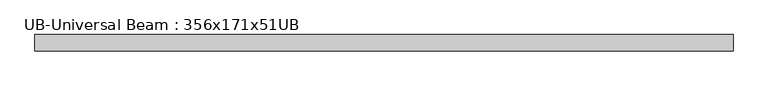
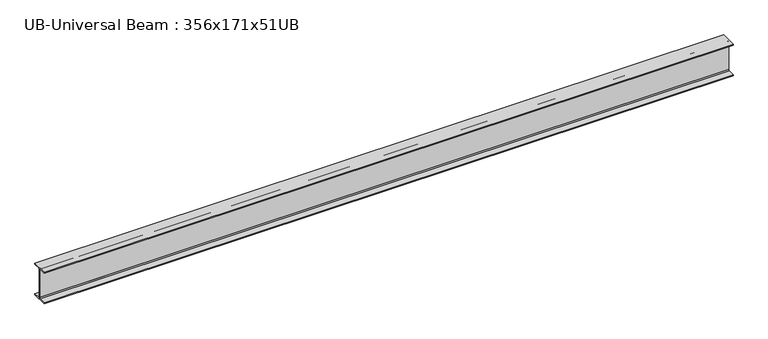
"""IFC4 building model written with IfcOpenShell, lengths in millimetres: beam geometry, UB-Universal Beam : 356x171x51UB."""

from ifc_helpers import new_model, si_unit, point, frame, frame_2d, origin, place, context, project, spatial, polyline, circle_curve, trimmed, segment, composite_curve, outline, extrude, source, transform, mapped, element, save


def ub_universal_beam_356x171x51ub_6fd0b625(model_context):
    return source(origin(), model_context, "Body", "SweptSolid", [
        extrude(outline(composite_curve([segment(polyline([(85.75, -166.0), (85.75, -177.5), (-85.75, -177.5), (-85.75, -166.0), (-13.9, -166.0)]), True, "CONTINUOUS"), segment(trimmed(circle_curve(frame_2d((-13.9, -155.8)), 10.2), [point((-13.9, -166.0))], [point((-3.7, -155.8))], True, "CARTESIAN"), True, "CONTINUOUS"), segment(polyline([(-3.7, -155.8), (-3.7, 155.8)]), True, "CONTINUOUS"), segment(trimmed(circle_curve(frame_2d((-13.9, 155.8)), 10.2), [point((-3.7, 155.8))], [point((-13.9, 166.0))], True, "CARTESIAN"), True, "CONTINUOUS"), segment(polyline([(-13.9, 166.0), (-85.75, 166.0), (-85.75, 177.5), (85.75, 177.5), (85.75, 166.0), (13.9, 166.0)]), True, "CONTINUOUS"), segment(trimmed(circle_curve(frame_2d((13.9, 155.8)), 10.2), [point((13.9, 166.0))], [point((3.7, 155.8))], True, "CARTESIAN"), True, "CONTINUOUS"), segment(polyline([(3.7, 155.8), (3.7, -155.8)]), True, "CONTINUOUS"), segment(trimmed(circle_curve(frame_2d((13.9, -155.8)), 10.2), [point((3.7, -155.8))], [point((13.9, -166.0))], True, "CARTESIAN"), True, "CONTINUOUS"), segment(polyline([(13.9, -166.0), (85.75, -166.0)]), True, "CONTINUOUS")], self_intersect=False)), frame((-3701.55, 0.0, 0.0), z_axis=(1.0, 0.0, 0.0), x_axis=(0.0, 1.0, 0.0)), (0.0, 0.0, 1.0), 7343.85),
    ])


if __name__ == "__main__":
    model = new_model("IFC4")
    model_context = context("Model", 3, world=origin())
    ifc_project = project(units=[si_unit("LENGTHUNIT", "METRE", prefix="MILLI")], contexts=[model_context])
    site = spatial("IfcSite", under=ifc_project)
    building = spatial("IfcBuilding", under=site)
    placement = place(None, origin())
    ub_universal_beam_356x171x51ub_shape = ub_universal_beam_356x171x51ub_6fd0b625(model_context)
    element("IfcBeam", 1, ObjectType="UB-Universal Beam : 356x171x51UB", at=placement, inside=building, context=model_context, shape_type="MappedRepresentation", body=[
        mapped(ub_universal_beam_356x171x51ub_shape, transform((0.0, 0.0, 0.0), x_axis=(1.0, 0.0, 0.0), y_axis=(0.0, 1.0, 0.0), z_axis=(0.0, 0.0, 1.0))),
    ])
    save(model, "model.ifc")
